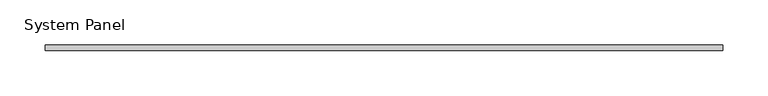
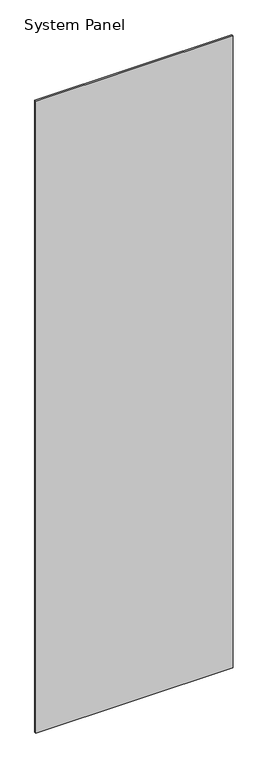
"""IFC4 building model written with IfcOpenShell, lengths in millimetres: plate geometry, System Panel."""

from ifc_helpers import new_model, si_unit, origin, origin_with_axes, place, context, project, spatial, polyline, outline, extrude, source, transform, mapped, element, save


def system_panel_09dbadb6(model_context):
    return source(origin(), model_context, "Body", "SweptSolid", [
        extrude(outline(polyline([(375.0, -3.0), (-375.0, -3.0), (-375.0, 3.0), (375.0, 3.0), (375.0, -3.0)])), origin_with_axes(), (0.0, 0.0, 1.0), 2540.0),
    ])


if __name__ == "__main__":
    model = new_model("IFC4")
    model_context = context("Model", 3, world=origin())
    ifc_project = project(units=[si_unit("LENGTHUNIT", "METRE", prefix="MILLI")], contexts=[model_context])
    site = spatial("IfcSite", under=ifc_project)
    building = spatial("IfcBuilding", under=site)
    placement = place(None, origin())
    system_panel_shape = system_panel_09dbadb6(model_context)
    element("IfcPlate", 1, ObjectType="System Panel", at=placement, inside=building, context=model_context, shape_type="MappedRepresentation", body=[
        mapped(system_panel_shape, transform((0.0, 0.0, 0.0), x_axis=(1.0, 0.0, 0.0), y_axis=(0.0, 1.0, 0.0), z_axis=(0.0, 0.0, 1.0))),
    ])
    save(model, "model.ifc")
